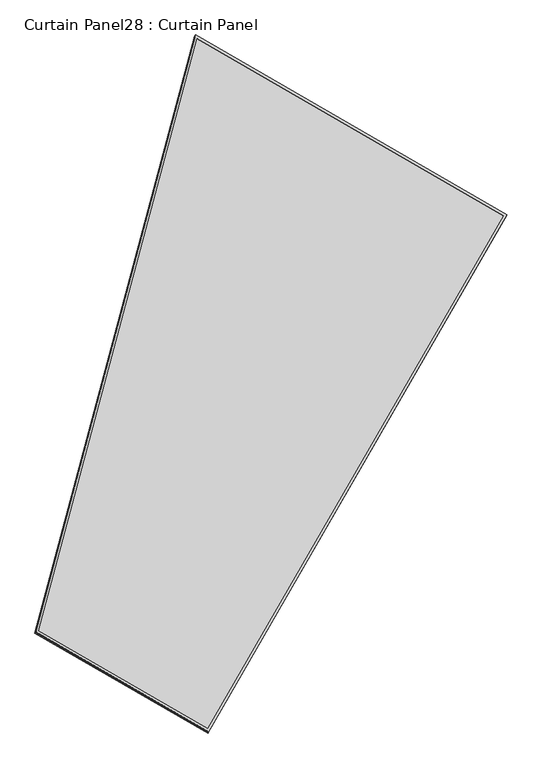
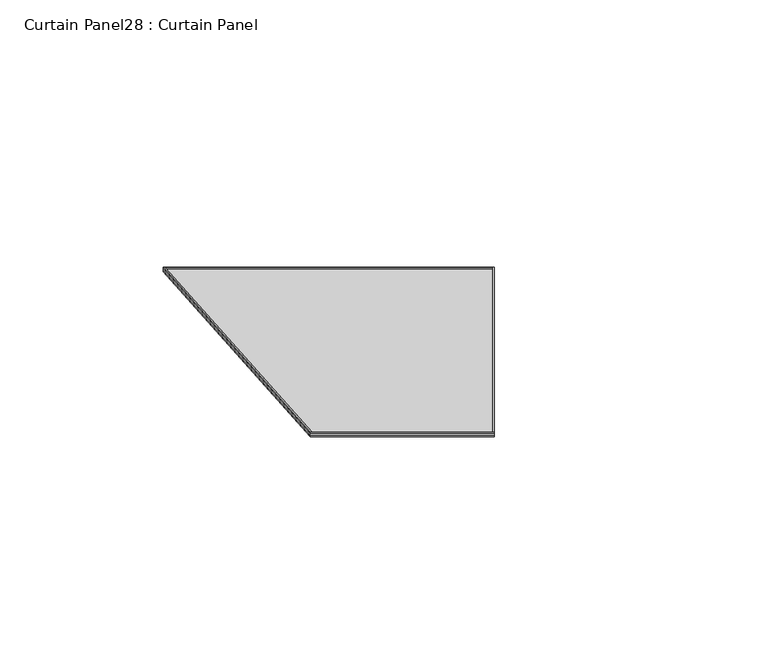
"""IFC4 building model written with IfcOpenShell, lengths in millimetres: plate geometry, Curtain Panel28 : Curtain Panel."""

import ifcopenshell
import ifcopenshell.guid

model = None  # the IFC model being written
_history = None  # IfcOwnerHistory: only IFC2X3 demands one
_inside = {}  # id of a spatial element -> (the spatial element, [elements in it])
_under = {}  # id of a project, library or spatial element -> (it, [spatial elements below it])
_declared = {}  # id of a project -> (the project, [libraries it declares])
_typed = {}  # id of a type object -> (the type object, [elements of that type])
_made_of = {}  # id of a material, layer set ... -> (it, [elements and type objects made of it])


def new_model(schema):
    """Start an empty IFC model of exactly this schema.

    Asked for "IFC4X3", IfcOpenShell would pick the latest addendum, in which some entities
    have other attributes; the version numbers below select the first issue.
    IFC2X3 requires an IfcOwnerHistory on every rooted entity: one is made here for all.
    """
    global model, _history
    if schema == "IFC4X3":
        model = ifcopenshell.file(schema_version=(4, 3, 0, 0))
    else:
        model = ifcopenshell.file(schema=schema)
    _inside.clear()
    _under.clear()
    _declared.clear()
    _typed.clear()
    _made_of.clear()
    _history = None
    if model.schema == "IFC2X3":
        org = make("IfcOrganization", Name="unknown")
        user = make(
            "IfcPersonAndOrganization",
            ThePerson=make("IfcPerson", FamilyName="unknown"),
            TheOrganization=org,
        )
        app = make(
            "IfcApplication",
            ApplicationDeveloper=org,
            Version="unknown",
            ApplicationFullName="unknown",
            ApplicationIdentifier="unknown",
        )
        _history = make(
            "IfcOwnerHistory",
            OwningUser=user,
            OwningApplication=app,
            ChangeAction="ADDED",
            CreationDate=0,
        )
    return model


def make(cls, **values):
    """One entity of the class cls with the attributes given. An attribute that is None is left unset."""
    return model.create_entity(
        cls, **{name: value for name, value in values.items() if value is not None}
    )


def rooted(cls, **values):
    """An entity with a GlobalId (a new one), such as an element, a storey or a relation."""
    return make(cls, GlobalId=ifcopenshell.guid.new(), OwnerHistory=_history, **values)


def si_unit(unit_type, name, prefix=None):
    """IfcSIUnit, for example si_unit("LENGTHUNIT", "METRE", prefix="MILLI")."""
    return make("IfcSIUnit", UnitType=unit_type, Prefix=prefix, Name=name)


def assignment(units):
    """IfcUnitAssignment: the units of a project."""
    return None if units is None else make("IfcUnitAssignment", Units=units)


def point(xyz):
    """IfcCartesianPoint."""
    return None if xyz is None else make("IfcCartesianPoint", Coordinates=xyz)


def direction(xyz):
    """IfcDirection."""
    return None if xyz is None else make("IfcDirection", DirectionRatios=xyz)


def frame(location, z_axis=None, x_axis=None):
    """IfcAxis2Placement3D, a coordinate frame: its origin and axes. An axis left out is left unset."""
    return make(
        "IfcAxis2Placement3D",
        Location=point(location),
        Axis=direction(z_axis),
        RefDirection=direction(x_axis),
    )


def origin():
    """The frame at (0, 0, 0) with its axes left unset."""
    return frame((0.0, 0.0, 0.0))


def place(relative_to, where):
    """IfcLocalPlacement: puts the frame where relative to a parent placement (None: the world)."""
    return make(
        "IfcLocalPlacement", PlacementRelTo=relative_to, RelativePlacement=where
    )


def context(
    kind, dimensions, precision=None, world=None, true_north=None, identifier=None
):
    """IfcGeometricRepresentationContext, for example the 3D "Model" context."""
    return make(
        "IfcGeometricRepresentationContext",
        ContextIdentifier=identifier,
        ContextType=kind,
        CoordinateSpaceDimension=dimensions,
        Precision=precision,
        WorldCoordinateSystem=world,
        TrueNorth=true_north,
    )


def project(units=None, contexts=None):
    """IfcProject with its units and contexts."""
    return rooted(
        "IfcProject",
        Name="project",
        RepresentationContexts=contexts,
        UnitsInContext=assignment(units),
    )


def spatial(cls, under=None, at=None, **own):
    """A site, building, storey or space (cls), placed at a placement, below another one or the project."""
    s = rooted(cls, ObjectPlacement=at, **own)
    if under is not None:
        _under.setdefault(under.id(), (under, []))[1].append(s)
    return s


def polyline(points):
    """IfcPolyline through the points."""
    return make("IfcPolyline", Points=[point(p) for p in points])


def outline(outer, holes=None, kind="AREA"):
    """IfcArbitraryClosedProfileDef: a profile drawn as a closed curve; with holes, ...WithVoids."""
    if holes is None:
        return make("IfcArbitraryClosedProfileDef", ProfileType=kind, OuterCurve=outer)
    return make(
        "IfcArbitraryProfileDefWithVoids",
        ProfileType=kind,
        OuterCurve=outer,
        InnerCurves=holes,
    )


def extrude(swept, where, along, depth):
    """IfcExtrudedAreaSolid: the profile swept, set in the frame where, extruded along a direction by depth."""
    return make(
        "IfcExtrudedAreaSolid",
        SweptArea=swept,
        Position=where,
        ExtrudedDirection=direction(along),
        Depth=depth,
    )


def shape(context_of_items, identifier, shape_type, items):
    """IfcShapeRepresentation: the items that make up one representation, for example the "Body"."""
    return make(
        "IfcShapeRepresentation",
        ContextOfItems=context_of_items,
        RepresentationIdentifier=identifier,
        RepresentationType=shape_type,
        Items=items,
    )


def source(mapping_origin, context_of_items, identifier, shape_type, items):
    """IfcRepresentationMap: a shape defined once, which mapped items show again and again."""
    return make(
        "IfcRepresentationMap",
        MappingOrigin=mapping_origin,
        MappedRepresentation=shape(context_of_items, identifier, shape_type, items),
    )


def transform(
    local_origin,
    x_axis=None,
    y_axis=None,
    z_axis=None,
    scale=None,
    scale2=None,
    scale3=None,
    uniform=True,
):
    """IfcCartesianTransformationOperator3D, or its non-uniform kind. x_axis, y_axis, z_axis: its Axis1, 2, 3."""
    if uniform:
        return make(
            "IfcCartesianTransformationOperator3D",
            Axis1=direction(x_axis),
            Axis2=direction(y_axis),
            LocalOrigin=point(local_origin),
            Scale=scale,
            Axis3=direction(z_axis),
        )
    return make(
        "IfcCartesianTransformationOperator3DnonUniform",
        Axis1=direction(x_axis),
        Axis2=direction(y_axis),
        LocalOrigin=point(local_origin),
        Scale=scale,
        Axis3=direction(z_axis),
        Scale2=scale2,
        Scale3=scale3,
    )


def mapped(mapping_source, mapping_target):
    """IfcMappedItem: shows the shape of a source again, moved by a transform."""
    return make(
        "IfcMappedItem", MappingSource=mapping_source, MappingTarget=mapping_target
    )


def made_of(thing, what):
    """Note that an element or type object is made of a material, layer set ...; save() writes the relation."""
    if what is not None:
        _made_of.setdefault(what.id(), (what, []))[1].append(thing)
    return thing


def element(
    cls,
    number,
    at=None,
    inside=None,
    cuts=None,
    type_object=None,
    material=None,
    context=None,
    identifier="Body",
    shape_type=None,
    held_by="IfcProductDefinitionShape",
    body=None,
    shapes=None,
    **own,
):
    """One element of the class cls, such as IfcWall. Its Tag is "e" and its number.

    at: its placement. inside: the storey or other place that contains it. cuts: it is an
    opening in that element (IfcRelVoidsElement). A single representation is given by context,
    identifier, shape_type and body (its items); several are given by shapes. held_by: the class
    of the entity that holds the representations. save() writes the other relations.
    """
    e = rooted(cls, Tag="e%d" % number, ObjectPlacement=at, **own)
    if body is not None:
        shapes = [shape(context, identifier, shape_type, body)]
    if shapes is not None:
        e.Representation = make(held_by, Representations=shapes)
    if inside is not None:
        _inside.setdefault(inside.id(), (inside, []))[1].append(e)
    if cuts is not None:
        rooted(
            "IfcRelVoidsElement", RelatingBuildingElement=cuts, RelatedOpeningElement=e
        )
    if type_object is not None:
        _typed.setdefault(type_object.id(), (type_object, []))[1].append(e)
    return made_of(e, material)


def aggregate(whole, parts):
    """IfcRelAggregates: a whole, such as a stair, and the parts it consists of."""
    return rooted("IfcRelAggregates", RelatingObject=whole, RelatedObjects=parts)


def save(model, path):
    """Write the relations noted so far, then the file.

    IfcRelAggregates (storeys below a building ...), IfcRelContainedInSpatialStructure (elements
    in a storey), IfcRelDefinesByType, IfcRelAssociatesMaterial and IfcRelDeclares: one each for
    every whole, place, type object, material and project.
    """
    for whole, parts in _under.values():
        aggregate(whole, parts)
    for where, things in _inside.values():
        rooted(
            "IfcRelContainedInSpatialStructure",
            RelatedElements=things,
            RelatingStructure=where,
        )
    for kind, things in _typed.values():
        rooted("IfcRelDefinesByType", RelatedObjects=things, RelatingType=kind)
    for what, things in _made_of.values():
        rooted("IfcRelAssociatesMaterial", RelatedObjects=things, RelatingMaterial=what)
    for by, libraries in _declared.values():
        rooted("IfcRelDeclares", RelatingContext=by, RelatedDefinitions=libraries)
    model.write(path)


def curtain_panel28_curtain_panel_9f358d60(model_context):
    return source(origin(), model_context, "Body", "SweptSolid", [
        extrude(outline(polyline([(1625.9060241, -2842.288964), (722.5275942, -2842.288964), (0.0, 0.0), (1625.9060241, -1e-07), (1625.9060241, -2842.288964)]), holes=[polyline([(1614.7935241, -11.1125001), (14.2907959, -11.1125), (731.1686564, -2831.176464), (1614.7935241, -2831.1764641), (1614.7935241, -11.1125001)])]), frame((14812.4274578, 10708.6341511, -9.3071993), z_axis=(0.15807291198691376, 0.2737903148616917, 0.9487106081329085), x_axis=(0.866025403784434, -0.5000000000000081, 0.0)), (0.0, 0.0, 1.0), 5.0007485),
        extrude(outline(polyline([(1625.9060241, -2842.288964), (722.5275943, -2842.288964), (0.0, 0.0), (1625.9060241, -1e-07), (1625.9060241, -2842.288964)]), holes=[polyline([(1614.7700117, -11.1360125), (14.3210331, -11.1360125), (731.1869396, -2831.1529516), (1614.7700117, -2831.1529516), (1614.7700117, -11.1360125)])]), frame((14809.6662299, 10703.8515641, -25.8793379), z_axis=(0.1580729119869188, 0.2737903148617007, 0.9487106081329052), x_axis=(0.8660254037844343, -0.5000000000000077, 0.0)), (0.0, 0.0, 1.0), 4.7317885),
        extrude(outline(polyline([(25.6892884, 0.0), (1651.5953125, 0.0), (1651.5953125, -2842.2889639), (748.2168826, -2842.288964), (25.6892884, 0.0)])), frame((14788.1666211, 10717.9917261, -21.3902399), z_axis=(0.15807291198690576, 0.2737903148616775, 0.948710608132914), x_axis=(0.8660254037844338, -0.5000000000000085, 0.0)), (0.0, 0.0, 1.0), 12.7362765),
    ])


if __name__ == "__main__":
    model = new_model("IFC4")
    model_context = context("Model", 3, world=origin())
    ifc_project = project(units=[si_unit("LENGTHUNIT", "METRE", prefix="MILLI")], contexts=[model_context])
    site = spatial("IfcSite", under=ifc_project)
    building = spatial("IfcBuilding", under=site)
    placement = place(None, origin())
    curtain_panel28_curtain_panel_shape = curtain_panel28_curtain_panel_9f358d60(model_context)
    element("IfcPlate", 1, ObjectType="Curtain Panel28 : Curtain Panel", at=placement, inside=building, context=model_context, shape_type="MappedRepresentation", body=[
        mapped(curtain_panel28_curtain_panel_shape, transform((0.0, 0.0, 0.0), x_axis=(1.0, 0.0, 0.0), y_axis=(0.0, 1.0, 0.0), z_axis=(0.0, 0.0, 1.0))),
    ])
    save(model, "model.ifc")
